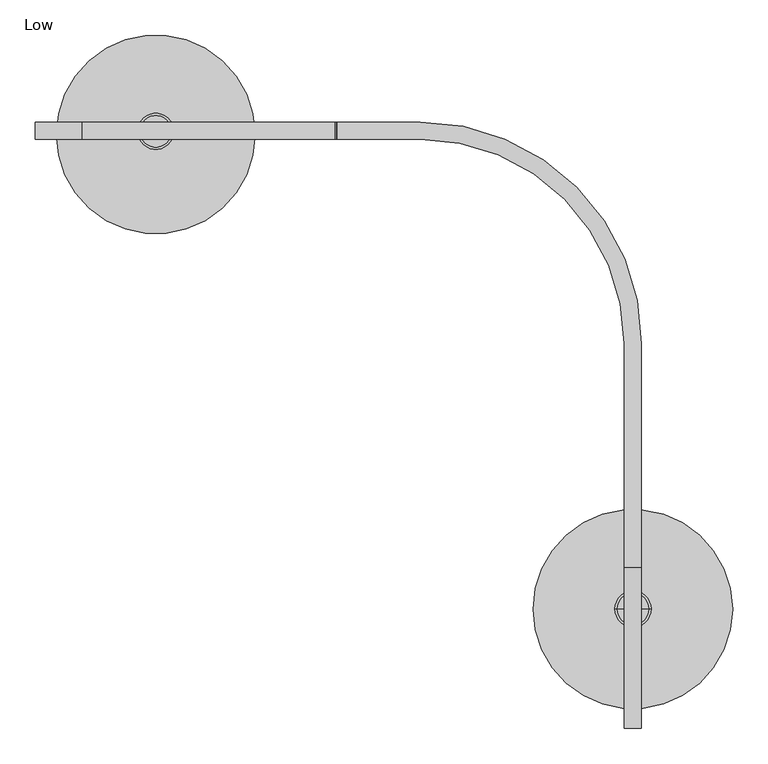
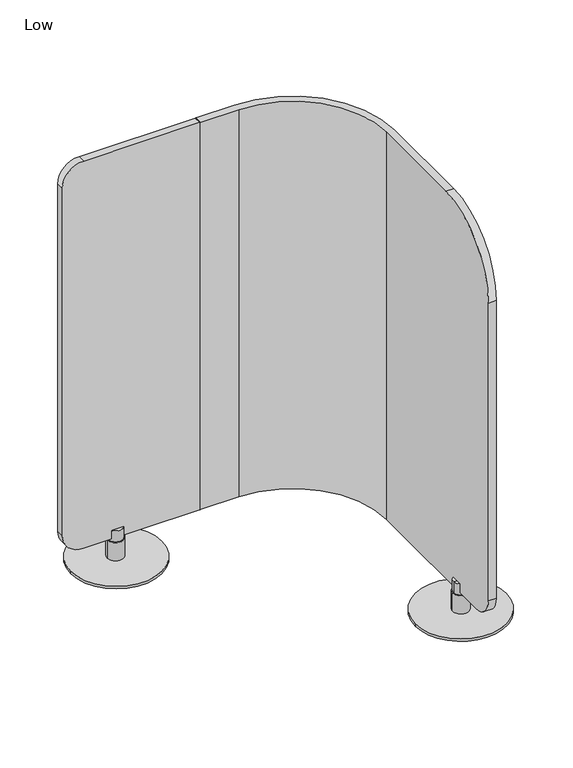
"""IFC4 building model written with IfcOpenShell, lengths in millimetres: furniture geometry, Low."""

from ifc_helpers import new_model, si_unit, point, frame, frame_2d, origin, origin_with_axes, place, context, project, spatial, polyline, circle_curve, trimmed, segment, composite_curve, outline, extrude, source, transform, mapped, element, save
from ifc_brep_helpers import plane_surface, cylinder_surface, revolved_surface, advanced_brep


def low_a136bd70(model_context):
    return source(origin(), model_context, "Body", "SolidModel", [
        advanced_brep(
        [(853.9730377, -628.1115594, 1332.4926487), (853.9730377, -853.9734079, 1106.6308002), (853.9730377, -853.9734079, 139.3436268), (853.9730377, -789.1395851, 74.509804), (853.9730377, -311.8991998, 74.5093328), (853.9730377, -311.8991998, 1332.4926487), (829.995618, -789.1395851, 74.509804), (829.995618, -853.9734079, 139.3436268), (829.995618, -853.9734079, 1106.6308002), (829.995618, -628.1115594, 1332.4926487), (829.995618, -311.9750865, 1332.4926487), (829.995618, -311.9750865, 74.5093328), (542.087374, -23.9774863, 74.509804), (425.2080637, -23.9774863, 74.509804), (425.2080637, 0.0, 74.509804), (542.0984688, 0.0, 74.509804), (542.0984688, 0.0, 1332.4926487), (425.2272842, 0.0, 1332.4926487), (425.2272842, -23.9774863, 1332.4926487), (542.087374, -23.9774863, 1332.4926487), (423.9933105, -23.9774863, 1331.258675), (423.9933105, -23.9774863, 75.7241996), (423.9933105, 0.0, 75.7241996), (423.9933105, 0.0, 1331.258675)],
        [
            (0, 1, circle_curve(frame((853.9730377, -628.1115594, 1106.6308002), z_axis=(1.0, 0.0, 0.0), x_axis=(0.0, 1.0, 0.0)), 225.8618485)),
            (1, 2),
            (2, 3, circle_curve(frame((853.9730377, -789.1395851, 139.3436268), z_axis=(1.0, 0.0, 0.0), x_axis=(0.0, 1.0, 0.0)), 64.8338228)),
            (3, 4),
            (4, 5),
            (5, 0),
            (6, 7, circle_curve(frame((829.995618, -789.1395851, 139.3436268), z_axis=(-1.0, 0.0, 0.0), x_axis=(0.0, 1.0, 0.0)), 64.8338228)),
            (7, 8),
            (8, 9, circle_curve(frame((829.995618, -628.1115594, 1106.6308002), z_axis=(-1.0, 0.0, 0.0), x_axis=(0.0, 1.0, 0.0)), 225.8618485)),
            (9, 10),
            (10, 11),
            (11, 6),
            (0, 9),
            (8, 1),
            (7, 2),
            (6, 3),
            (11, 12, circle_curve(frame((542.087374, -311.8857441, 74.509804), z_axis=(0.0, 0.0, 1.0), x_axis=(1.0, 0.0, 0.0)), 287.9082578)),
            (12, 13),
            (13, 14),
            (14, 15),
            (15, 4, circle_curve(frame((542.0984688, -311.8991998, 74.509804), z_axis=(0.0, 0.0, -1.0), x_axis=(1.0, 0.0, 0.0)), 311.8991998)),
            (5, 16, circle_curve(frame((542.0984688, -311.8991998, 1332.4926487), z_axis=(0.0, 0.0, 1.0), x_axis=(1.0, 0.0, 0.0)), 311.8991998)),
            (16, 17),
            (17, 18),
            (18, 19),
            (19, 10, circle_curve(frame((542.087374, -311.8857441, 1332.4926487), z_axis=(0.0, 0.0, -1.0), x_axis=(1.0, 0.0, 0.0)), 287.9082578)),
            (18, 20, circle_curve(frame((425.2272842, -23.9774863, 1331.258675), z_axis=(0.0, -1.0, 0.0), x_axis=(1.0, 0.0, 0.0)), 1.2339737)),
            (20, 21),
            (21, 13, circle_curve(frame((425.2080637, -23.9774863, 75.7241996), z_axis=(0.0, -1.0, 0.0), x_axis=(1.0, 0.0, 0.0)), 1.2147532)),
            (12, 19),
            (15, 16),
            (14, 22, circle_curve(frame((425.2080637, 0.0, 75.7241996), z_axis=(0.0, 1.0, 0.0), x_axis=(1.0, 0.0, 0.0)), 1.2147532)),
            (22, 23),
            (23, 17, circle_curve(frame((425.2272842, 0.0, 1331.258675), z_axis=(0.0, 1.0, 0.0), x_axis=(1.0, 0.0, 0.0)), 1.2339737)),
            (23, 20),
            (22, 21),
        ],
        [
            plane_surface(frame((853.9730377, -402.2497109, 1106.6308002), z_axis=(1.0, 0.0, 0.0), x_axis=(0.0, 0.0, 1.0))),
            plane_surface(frame((829.995618, -402.2497109, 1106.6308002), z_axis=(-1.0, 0.0, 0.0), x_axis=(0.0, 0.0, -1.0))),
            cylinder_surface(frame((829.995618, -628.1115594, 1106.6308002), z_axis=(1.0, 0.0, 0.0), x_axis=(0.0, 1.0, 0.0)), 225.8618485),
            plane_surface(frame((853.9730377, -853.9734079, 1106.6308002), z_axis=(0.0, -1.0, 0.0), x_axis=(-1.0, 0.0, 0.0))),
            cylinder_surface(frame((829.995618, -789.1395851, 139.3436268), z_axis=(1.0, 0.0, 0.0), x_axis=(0.0, 1.0, 0.0)), 64.8338228),
            plane_surface(frame((853.9730377, -789.1395851, 74.509804), z_axis=(0.0, 0.0, -1.0), x_axis=(-1.0, 0.0, 0.0))),
            plane_surface(frame((853.9730377, -315.8189106, 1332.4926487), z_axis=(0.0, 0.0, 1.0), x_axis=(-1.0, 0.0, 0.0))),
            plane_surface(frame((537.7681369, -23.9774863, 1332.4926487), z_axis=(0.0, -1.0, 0.0), x_axis=(0.0, 0.0, -1.0))),
            revolved_surface(polyline([(829.9956318, -311.8857441, 74.5093328), (829.9956318, -311.8857441, 1332.4926487)]), (542.087374, -311.8857441, 74.5093328), (0.0, 0.0, -1.0)),
            cylinder_surface(frame((542.0984688, -311.8991998, 74.5093328), z_axis=(0.0, 0.0, 1.0), x_axis=(1.0, 0.0, 0.0)), 311.8991998),
            plane_surface(frame((542.0984688, 0.0, 1332.4926487), z_axis=(0.0, 1.0, 0.0), x_axis=(0.0, 0.0, -1.0))),
            cylinder_surface(frame((425.2272842, 0.0, 1331.258675), z_axis=(0.0, -1.0, 0.0), x_axis=(1.0, 0.0, 0.0)), 1.2339737),
            plane_surface(frame((423.9933105, -23.9774863, 1331.258675), z_axis=(-1.0, 0.0, 0.0), x_axis=(0.0, 1.0, 0.0))),
            cylinder_surface(frame((425.2080637, 0.0, 75.7241996), z_axis=(0.0, -1.0, 0.0), x_axis=(1.0, 0.0, 0.0)), 1.2147532),
        ],
        [
            (0, [[1, 2, 3, 4, 5, 6]]),
            (1, [[7, 8, 9, 10, 11, 12]]),
            (2, [[-1, 13, -9, 14]]),
            (3, [[-2, -14, -8, 15]]),
            (4, [[-3, -15, -7, 16]]),
            (5, [[-16, -12, 17, 18, 19, 20, 21, -4]]),
            (6, [[-13, -6, 22, 23, 24, 25, 26, -10]]),
            (7, [[-25, 27, 28, 29, -18, 30]]),
            (8, [[-26, -30, -17, -11]]),
            (9, [[-22, -5, -21, 31]]),
            (10, [[-23, -31, -20, 32, 33, 34]]),
            (11, [[-27, -24, -34, 35]]),
            (12, [[-28, -35, -33, 36]]),
            (13, [[-29, -36, -32, -19]]),
        ],
    ),
        extrude(outline(composite_curve([segment(trimmed(circle_curve(frame_2d((1267.5289851, 64.9636636)), 64.9636636), [point((1332.4926487, 64.9636636))], [point((1267.5289851, 0.0))], False, "CARTESIAN"), True, "CONTINUOUS"), segment(polyline([(1267.5289851, 0.0), (138.0093328, 0.0)]), True, "CONTINUOUS"), segment(trimmed(circle_curve(frame_2d((138.0093328, 63.5)), 63.5), [point((138.0093328, 0.0))], [point((74.5093328, 63.5))], False, "CARTESIAN"), True, "CONTINUOUS"), segment(polyline([(74.5093328, 63.5), (74.5093328, 422.7146225)]), True, "CONTINUOUS"), segment(trimmed(circle_curve(frame_2d((75.7880209, 422.7146225)), 1.278688), [point((74.5093328, 422.7146225))], [point((75.7880209, 423.9933105))], False, "CARTESIAN"), True, "CONTINUOUS"), segment(polyline([(75.7880209, 423.9933105), (1331.3107464, 423.9933105)]), True, "CONTINUOUS"), segment(trimmed(circle_curve(frame_2d((1331.3107464, 422.8114082)), 1.1819023), [point((1331.3107464, 423.9933105))], [point((1332.4926487, 422.8114082))], False, "CARTESIAN"), True, "CONTINUOUS"), segment(polyline([(1332.4926487, 422.8114082), (1332.4926487, 64.9636636)]), True, "CONTINUOUS")], self_intersect=False)), frame((0.0, -23.9774863, 0.0), z_axis=(0.0, 1.0, 0.0), x_axis=(0.0, 0.0, 1.0)), (0.0, 0.0, 1.0), 23.9774863),
        advanced_brep(
        [(816.700333, -685.8161337, 7.8732992), (867.500333, -685.8161337, 7.8732992), (842.100333, -685.8161337, 7.8732992), (816.700333, -685.8161337, 67.1258584), (867.500333, -685.8161337, 67.1258584), (819.9544051, -685.8161337, 67.1258584), (864.2462609, -685.8161337, 67.1258584), (819.9544051, -685.8161337, 102.873817), (864.2462609, -685.8161337, 102.873817), (842.100333, -685.8161337, 102.873817)],
        [
            (0, 1, circle_curve(frame((842.100333, -685.8161337, 7.8732992), z_axis=(0.0, 0.0, -1.0), x_axis=(1.0, 0.0, 0.0)), 25.4)),
            (1, 2),
            (2, 0),
            (1, 0, circle_curve(frame((842.100333, -685.8161337, 7.8732992), z_axis=(0.0, 0.0, -1.0), x_axis=(1.0, 0.0, 0.0)), 25.4)),
            (3, 4, circle_curve(frame((842.100333, -685.8161337, 67.1258584), z_axis=(0.0, 0.0, -1.0), x_axis=(1.0, 0.0, 0.0)), 25.4)),
            (4, 1),
            (0, 3),
            (4, 3, circle_curve(frame((842.100333, -685.8161337, 67.1258584), z_axis=(0.0, 0.0, -1.0), x_axis=(1.0, 0.0, 0.0)), 25.4)),
            (5, 6, circle_curve(frame((842.100333, -685.8161337, 67.1258584), z_axis=(0.0, 0.0, -1.0), x_axis=(1.0, 0.0, 0.0)), 22.1459279)),
            (6, 4),
            (3, 5),
            (6, 5, circle_curve(frame((842.100333, -685.8161337, 67.1258584), z_axis=(0.0, 0.0, -1.0), x_axis=(1.0, 0.0, 0.0)), 22.1459279)),
            (7, 8, circle_curve(frame((842.100333, -685.8161337, 102.873817), z_axis=(0.0, 0.0, -1.0), x_axis=(1.0, 0.0, 0.0)), 22.1459279)),
            (8, 6),
            (5, 7),
            (8, 7, circle_curve(frame((842.100333, -685.8161337, 102.873817), z_axis=(0.0, 0.0, -1.0), x_axis=(1.0, 0.0, 0.0)), 22.1459279)),
            (9, 8),
            (7, 9),
        ],
        [
            plane_surface(frame((842.100333, -685.8161337, 7.8732992), z_axis=(0.0, 0.0, -1.0), x_axis=(1.0, 0.0, 0.0))),
            cylinder_surface(frame((842.100333, -685.8161337, 102.873817), z_axis=(0.0, 0.0, 1.0), x_axis=(1.0, 0.0, 0.0)), 25.4),
            plane_surface(frame((842.100333, -685.8161337, 67.1258584), z_axis=(0.0, 0.0, 1.0), x_axis=(1.0, 0.0, 0.0))),
            cylinder_surface(frame((842.100333, -685.8161337, 102.873817), z_axis=(0.0, 0.0, 1.0), x_axis=(1.0, 0.0, 0.0)), 22.1459279),
            plane_surface(frame((842.100333, -685.8161337, 102.873817), z_axis=(0.0, 0.0, 1.0), x_axis=(1.0, 0.0, 0.0))),
        ],
        [
            (0, [[1, 2, 3]]),
            (0, [[4, -3, -2]]),
            (1, [[5, 6, -1, 7]]),
            (1, [[8, -7, -4, -6]]),
            (2, [[9, 10, -5, 11]]),
            (2, [[12, -11, -8, -10]]),
            (3, [[13, 14, -9, 15]]),
            (3, [[16, -15, -12, -14]]),
            (4, [[17, -13, 18]]),
            (4, [[-18, -16, -17]]),
        ],
    ),
        advanced_brep(
        [(144.1303497, -12.7, 7.8732992), (194.9303497, -12.7, 7.8732992), (169.5303497, -12.7, 7.8732992), (144.1303497, -12.7, 67.1258584), (194.9303497, -12.7, 67.1258584), (147.3844218, -12.7, 67.1258584), (191.6762776, -12.7, 67.1258584), (147.3844218, -12.7, 102.873817), (191.6762776, -12.7, 102.873817), (169.5303497, -12.7, 102.873817)],
        [
            (0, 1, circle_curve(frame((169.5303497, -12.7, 7.8732992), z_axis=(0.0, 0.0, -1.0), x_axis=(1.0, 0.0, 0.0)), 25.4)),
            (1, 2),
            (2, 0),
            (1, 0, circle_curve(frame((169.5303497, -12.7, 7.8732992), z_axis=(0.0, 0.0, -1.0), x_axis=(1.0, 0.0, 0.0)), 25.4)),
            (3, 4, circle_curve(frame((169.5303497, -12.7, 67.1258584), z_axis=(0.0, 0.0, -1.0), x_axis=(1.0, 0.0, 0.0)), 25.4)),
            (4, 1),
            (0, 3),
            (4, 3, circle_curve(frame((169.5303497, -12.7, 67.1258584), z_axis=(0.0, 0.0, -1.0), x_axis=(1.0, 0.0, 0.0)), 25.4)),
            (5, 6, circle_curve(frame((169.5303497, -12.7, 67.1258584), z_axis=(0.0, 0.0, -1.0), x_axis=(1.0, 0.0, 0.0)), 22.1459279)),
            (6, 4),
            (3, 5),
            (6, 5, circle_curve(frame((169.5303497, -12.7, 67.1258584), z_axis=(0.0, 0.0, -1.0), x_axis=(1.0, 0.0, 0.0)), 22.1459279)),
            (7, 8, circle_curve(frame((169.5303497, -12.7, 102.873817), z_axis=(0.0, 0.0, -1.0), x_axis=(1.0, 0.0, 0.0)), 22.1459279)),
            (8, 6),
            (5, 7),
            (8, 7, circle_curve(frame((169.5303497, -12.7, 102.873817), z_axis=(0.0, 0.0, -1.0), x_axis=(1.0, 0.0, 0.0)), 22.1459279)),
            (9, 8),
            (7, 9),
        ],
        [
            plane_surface(frame((169.5303497, -12.7, 7.8732992), z_axis=(0.0, 0.0, -1.0), x_axis=(1.0, 0.0, 0.0))),
            cylinder_surface(frame((169.5303497, -12.7, 102.873817), z_axis=(0.0, 0.0, 1.0), x_axis=(1.0, 0.0, 0.0)), 25.4),
            plane_surface(frame((169.5303497, -12.7, 67.1258584), z_axis=(0.0, 0.0, 1.0), x_axis=(1.0, 0.0, 0.0))),
            cylinder_surface(frame((169.5303497, -12.7, 102.873817), z_axis=(0.0, 0.0, 1.0), x_axis=(1.0, 0.0, 0.0)), 22.1459279),
            plane_surface(frame((169.5303497, -12.7, 102.873817), z_axis=(0.0, 0.0, 1.0), x_axis=(1.0, 0.0, 0.0))),
        ],
        [
            (0, [[1, 2, 3]]),
            (0, [[4, -3, -2]]),
            (1, [[5, 6, -1, 7]]),
            (1, [[8, -7, -4, -6]]),
            (2, [[9, 10, -5, 11]]),
            (2, [[12, -11, -8, -10]]),
            (3, [[13, 14, -9, 15]]),
            (3, [[16, -15, -12, -14]]),
            (4, [[17, -13, 18]]),
            (4, [[-18, -16, -17]]),
        ],
    ),
        extrude(outline(composite_curve([segment(trimmed(circle_curve(frame_2d((169.5303497, -17.0411177)), 140.0479005), [point((29.4824492, -17.0411177))], [point((309.5782503, -17.0411177))], False, "CARTESIAN"), True, "CONTINUOUS"), segment(trimmed(circle_curve(frame_2d((169.5303497, -17.0411177)), 140.0479005), [point((309.5782503, -17.0411177))], [point((29.4824492, -17.0411177))], False, "CARTESIAN"), True, "CONTINUOUS")], self_intersect=False)), origin_with_axes(), (0.0, 0.0, 1.0), 7.8732992),
        extrude(outline(composite_curve([segment(trimmed(circle_curve(frame_2d((841.9822183, -686.081839)), 140.3919114), [point((701.5903068, -686.081839))], [point((982.3741297, -686.081839))], False, "CARTESIAN"), True, "CONTINUOUS"), segment(trimmed(circle_curve(frame_2d((841.9822183, -686.081839)), 140.3919114), [point((982.3741297, -686.081839))], [point((701.5903068, -686.081839))], False, "CARTESIAN"), True, "CONTINUOUS")], self_intersect=False)), origin_with_axes(), (0.0, 0.0, 1.0), 7.8732992),
    ])


if __name__ == "__main__":
    model = new_model("IFC4")
    model_context = context("Model", 3, world=origin())
    ifc_project = project(units=[si_unit("LENGTHUNIT", "METRE", prefix="MILLI")], contexts=[model_context])
    site = spatial("IfcSite", under=ifc_project)
    building = spatial("IfcBuilding", under=site)
    placement = place(None, origin())
    low_shape = low_a136bd70(model_context)
    element("IfcFurniture", 1, ObjectType="Low", at=placement, inside=building, context=model_context, shape_type="MappedRepresentation", body=[
        mapped(low_shape, transform((0.0, 0.0, 0.0), x_axis=(1.0, 0.0, 0.0), y_axis=(0.0, 1.0, 0.0), z_axis=(0.0, 0.0, 1.0))),
    ])
    save(model, "model.ifc")
